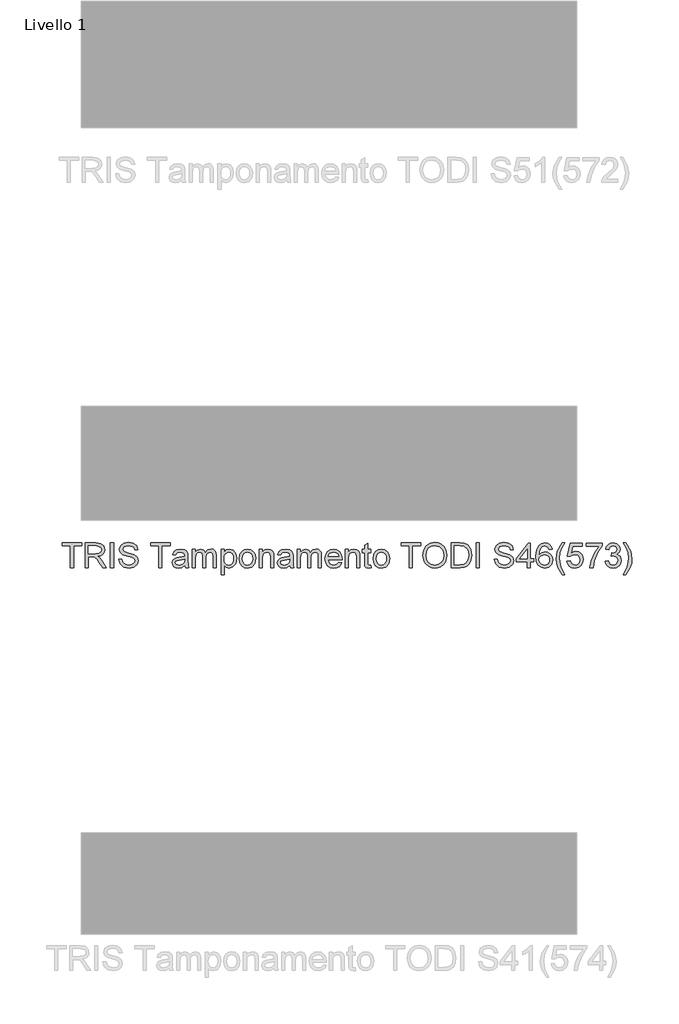
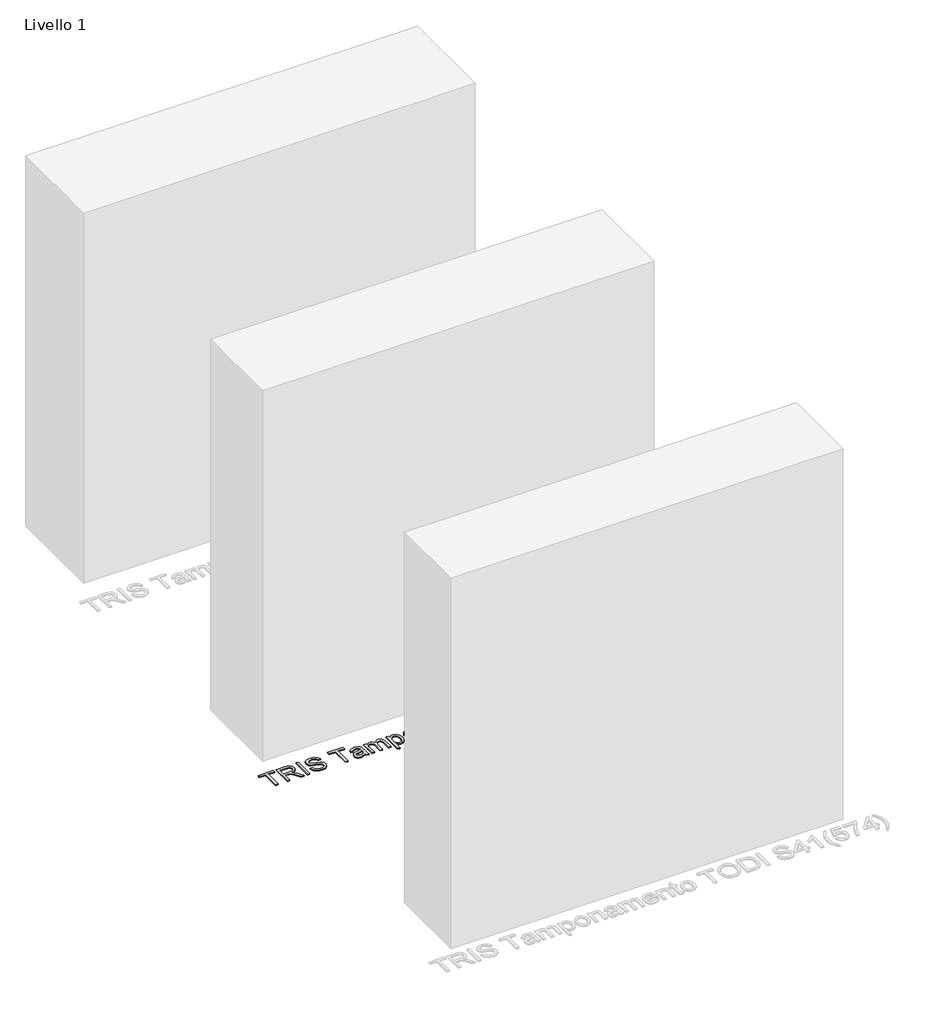
# One storey, part 17 of 18: 1 proxy.
"""IFC4 building model written with IfcOpenShell, lengths in millimetres."""

from ifc_helpers import new_model, si_unit, origin, origin_with_axes, place, context, project, spatial, polyline, outline, extrude, element, save

model = new_model("IFC4")

# Units and contexts
model_context = context("Model", 3, world=origin())
ifc_project = project(units=[si_unit("LENGTHUNIT", "METRE", prefix="MILLI")], contexts=[model_context])

# Site, building, storey
site = spatial("IfcSite", under=ifc_project)
building = spatial("IfcBuilding", under=site)
storey = spatial("IfcBuildingStorey", under=building, Name="Livello 1", Elevation=0.0)

# Proxy
placement = place(None, origin())
element("IfcBuildingElementProxy", 1, Name="100", ObjectType="100", at=placement, inside=storey, context=model_context, shape_type="SweptSolid", body=[
    extrude(outline(polyline([(3337.4343354, 1570.1657879), (3337.4343354, 1658.0650593), (3304.4721087, 1658.0650593), (3304.4721087, 1670.6220981), (3382.953601, 1670.6220981), (3382.953601, 1658.0650593), (3349.9913742, 1658.0650593), (3349.9913742, 1570.1657879), (3337.4343354, 1570.1657879)])), origin_with_axes(), (0.0, 0.0, 1.0), 5.0),
    extrude(outline(polyline([(3397.0802696, 1570.1657879), (3397.0802696, 1670.6220981), (3440.3677177, 1670.6220981), (3460.4663373, 1667.9120341), (3471.4537463, 1658.3225767), (3475.5617619, 1643.1290503), (3473.8603076, 1633.2330247), (3468.755945, 1625.0292562), (3460.0953897, 1619.0143855), (3447.7253576, 1615.6850535), (3454.8622683, 1610.3139764), (3465.0403368, 1597.3890556), (3481.7912303, 1570.1657879), (3467.1985779, 1570.1657879), (3454.1265043, 1590.9879089), (3444.6841997, 1604.771221), (3438.0500611, 1611.2827323), (3432.07811, 1613.6739652), (3424.7940465, 1614.1154236), (3409.6373083, 1614.1154236), (3409.6373083, 1570.1657879), (3397.0802696, 1570.1657879)]), holes=[polyline([(3409.6373083, 1626.6724624), (3437.7434928, 1626.6724624), (3452.0786279, 1628.4505587), (3460.2210827, 1634.1404669), (3463.0047231, 1642.6630665), (3457.6949596, 1653.7240518), (3440.9072779, 1658.0650593), (3409.6373083, 1658.0650593), (3409.6373083, 1626.6724624)])]), origin_with_axes(), (0.0, 0.0, 1.0), 5.0),
    extrude(outline(polyline([(3499.1062096, 1570.1657879), (3499.1062096, 1670.6220981), (3511.6632483, 1670.6220981), (3511.6632483, 1570.1657879), (3499.1062096, 1570.1657879)])), origin_with_axes(), (0.0, 0.0, 1.0), 5.0),
    extrude(outline(polyline([(3532.0684363, 1604.6976446), (3544.6254751, 1604.6976446), (3548.6721771, 1592.1283431), (3558.55594, 1584.182092), (3573.6145763, 1581.1531969), (3586.7357008, 1583.446328), (3595.2092494, 1589.7493728), (3597.9928899, 1598.1738705), (3595.9082252, 1606.009757), (3587.3733629, 1611.7119279), (3569.0896278, 1616.5066566), (3549.407941, 1622.6993369), (3538.7271004, 1632.0435395), (3535.207696, 1644.5270019), (3539.5609663, 1658.7395097), (3552.2774206, 1668.7704254), (3570.8922496, 1672.1917279), (3590.7578773, 1668.6110099), (3604.0016291, 1658.0895848), (3608.9802988, 1642.3687609), (3596.42326, 1642.3687609), (3594.1178662, 1649.8612908), (3589.3108748, 1655.2691562), (3571.3827589, 1659.6346892), (3553.4055921, 1655.3182071), (3547.7647348, 1644.8948839), (3551.7623858, 1636.1883433), (3572.2656757, 1629.17406), (3594.4857482, 1622.8710151), (3606.6381168, 1612.6929466), (3610.5499286, 1598.4927016), (3606.0495056, 1583.4708534), (3593.1000593, 1572.50797), (3574.1050857, 1568.5961581), (3551.6765467, 1572.8145383), (3537.4885644, 1585.5187299), (3532.0684363, 1604.6976446)])), origin_with_axes(), (0.0, 0.0, 1.0), 5.0),
    extrude(outline(polyline([(3693.7403105, 1570.1657879), (3693.7403105, 1658.0650593), (3660.7780837, 1658.0650593), (3660.7780837, 1670.6220981), (3739.259576, 1670.6220981), (3739.259576, 1658.0650593), (3706.2973493, 1658.0650593), (3706.2973493, 1570.1657879), (3693.7403105, 1570.1657879)])), origin_with_axes(), (0.0, 0.0, 1.0), 5.0),
    extrude(outline(polyline([(3798.9055102, 1579.583567), (3786.7286161, 1571.0732302), (3773.2763978, 1568.5961581), (3762.7825639, 1570.0860802), (3755.0417136, 1574.5558464), (3750.2684447, 1581.3432692), (3748.6773551, 1589.786161), (3751.0808508, 1599.7189749), (3757.3961584, 1606.929462), (3766.1885381, 1611.0497403), (3777.0533197, 1612.9382013), (3798.8319338, 1617.2546833), (3798.9055102, 1620.0505865), (3795.4474194, 1629.3212128), (3781.5660055, 1632.9509818), (3768.8618139, 1630.5352234), (3762.8040237, 1621.9635729), (3750.2469849, 1623.5332027), (3755.6793757, 1635.7959359), (3766.6177337, 1642.9818975), (3783.1846862, 1645.5080206), (3798.4027381, 1643.2762031), (3806.9989141, 1637.6721341), (3810.8494123, 1629.1495345), (3811.4625489, 1618.1621256), (3811.4625489, 1602.5394035), (3812.1002111, 1580.7240012), (3814.6018086, 1570.1657879), (3802.0447699, 1570.1657879), (3798.9055102, 1579.583567)]), holes=[polyline([(3798.9055102, 1604.6976446), (3778.647475, 1600.8471463), (3767.844007, 1598.8115326), (3762.9511765, 1595.5005947), (3761.2343939, 1590.6690778), (3764.9745275, 1583.8755236), (3775.9496737, 1581.1531969), (3788.6538652, 1584.1575665), (3796.845371, 1591.4293673), (3798.8319338, 1601.1414519), (3798.9055102, 1604.6976446)])]), origin_with_axes(), (0.0, 0.0, 1.0), 5.0),
    extrude(outline(polyline([(3828.7284772, 1570.1657879), (3828.7284772, 1643.9383907), (3841.285516, 1643.9383907), (3841.285516, 1631.7982849), (3849.9184802, 1641.7433615), (3862.2057388, 1645.5080206), (3874.787303, 1641.6697851), (3881.7034846, 1630.9153681), (3891.5014084, 1641.8598574), (3903.8745061, 1645.5080206), (3913.313745, 1643.9905073), (3920.2943058, 1639.4379676), (3924.6077222, 1631.7277742), (3926.0455277, 1620.7372996), (3926.0455277, 1570.1657879), (3913.4884889, 1570.1657879), (3913.4884889, 1615.341697), (3912.3235293, 1625.8263338), (3908.1051491, 1630.9889445), (3900.9314502, 1632.9509818), (3888.5828779, 1627.9232612), (3884.8948609, 1621.381093), (3883.6655219, 1611.8100298), (3883.6655219, 1570.1657879), (3871.1084831, 1570.1657879), (3871.1084831, 1616.7396485), (3868.2022153, 1628.9042798), (3858.6740717, 1632.9509818), (3849.3789199, 1630.2531805), (3843.1985024, 1622.3559803), (3841.285516, 1607.3709204), (3841.285516, 1570.1657879), (3828.7284772, 1570.1657879)])), origin_with_axes(), (0.0, 0.0, 1.0), 5.0),
    extrude(outline(polyline([(3944.8810859, 1541.9124507), (3944.8810859, 1643.9383907), (3957.4381246, 1643.9383907), (3957.4381246, 1631.6266066), (3966.1201397, 1642.0376671), (3977.8433126, 1645.5080206), (3993.7603403, 1640.6519782), (4004.159138, 1626.966768), (4007.6662797, 1607.6161751), (4003.7054169, 1587.2723007), (3992.2029732, 1573.4154122), (3976.3227337, 1568.5961581), (3965.3966385, 1571.8212569), (3957.4381246, 1579.9759745), (3957.4381246, 1541.9124507), (3944.8810859, 1541.9124507)]), holes=[polyline([(3957.4381246, 1606.4634781), (3958.7962223, 1595.2062891), (3962.8705154, 1587.3336144), (3968.8823204, 1582.6983012), (3976.0529536, 1581.1531969), (3983.3400828, 1582.7534835), (3989.5051719, 1587.5543436), (3993.7082237, 1595.7151925), (3995.1092409, 1607.3954459), (3993.7419462, 1618.5913212), (3989.6400619, 1626.5743605), (3983.637454, 1631.3568265), (3976.5679884, 1632.9509818), (3969.4709316, 1631.2556589), (3963.2383974, 1626.1696903), (3958.8881928, 1617.8524916), (3957.4381246, 1606.4634781)])]), origin_with_axes(), (0.0, 0.0, 1.0), 5.0),
    extrude(outline(polyline([(4018.6536886, 1607.0520893), (4021.369884, 1624.8391838), (4029.5184702, 1637.3410403), (4039.5861741, 1643.4662755), (4051.6404409, 1645.5080206), (4064.8320761, 1643.0217514), (4075.3688295, 1635.562944), (4082.275814, 1623.7202094), (4084.5781422, 1608.0821589), (4080.5069147, 1585.7394591), (4068.6488518, 1573.0965812), (4051.6404409, 1568.5961581), (4038.2893901, 1571.0732302), (4027.7648994, 1578.5044465), (4020.9314913, 1590.5955014), (4018.6536886, 1607.0520893)]), holes=[polyline([(4031.2107274, 1607.0766148), (4032.6638613, 1595.7121268), (4037.0232629, 1587.6156573), (4043.5838252, 1582.768812), (4051.6404409, 1581.1531969), (4059.6602684, 1582.778009), (4066.2085679, 1587.6524455), (4070.5679695, 1595.8562139), (4072.0211034, 1607.4690223), (4070.5587725, 1618.5024164), (4066.1717797, 1626.4885214), (4059.6142831, 1631.3353667), (4051.6404409, 1632.9509818), (4043.5838252, 1631.3414981), (4037.0232629, 1626.5130469), (4032.6638613, 1618.4349714), (4031.2107274, 1607.0766148)])]), origin_with_axes(), (0.0, 0.0, 1.0), 5.0),
    extrude(outline(polyline([(4098.7048108, 1570.1657879), (4098.7048108, 1643.9383907), (4111.2618495, 1643.9383907), (4111.2618495, 1633.6376948), (4120.8635696, 1642.5404391), (4133.9724314, 1645.5080206), (4145.8304944, 1643.1167876), (4153.9238983, 1636.8382682), (4157.6885573, 1627.6044301), (4158.3507449, 1615.4643243), (4158.3507449, 1570.1657879), (4145.7937062, 1570.1657879), (4145.7937062, 1613.7720671), (4144.3467036, 1624.8821034), (4139.2331439, 1630.7559526), (4130.6124425, 1632.9509818), (4116.9885459, 1628.0213631), (4112.6935236, 1620.878321), (4111.2618495, 1609.3084322), (4111.2618495, 1570.1657879), (4098.7048108, 1570.1657879)])), origin_with_axes(), (0.0, 0.0, 1.0), 5.0),
    extrude(outline(polyline([(4222.7055686, 1579.583567), (4210.5286746, 1571.0732302), (4197.0764563, 1568.5961581), (4186.5826224, 1570.0860802), (4178.8417721, 1574.5558464), (4174.0685032, 1581.3432692), (4172.4774135, 1589.786161), (4174.8809092, 1599.7189749), (4181.1962168, 1606.929462), (4189.9885965, 1611.0497403), (4200.8533781, 1612.9382013), (4222.6319922, 1617.2546833), (4222.7055686, 1620.0505865), (4219.2474779, 1629.3212128), (4205.3660639, 1632.9509818), (4192.6618723, 1630.5352234), (4186.6040822, 1621.9635729), (4174.0470434, 1623.5332027), (4179.4794342, 1635.7959359), (4190.4177922, 1642.9818975), (4206.9847447, 1645.5080206), (4222.2027966, 1643.2762031), (4230.7989725, 1637.6721341), (4234.6494707, 1629.1495345), (4235.2626074, 1618.1621256), (4235.2626074, 1602.5394035), (4235.9002695, 1580.7240012), (4238.4018671, 1570.1657879), (4225.8448283, 1570.1657879), (4222.7055686, 1579.583567)]), holes=[polyline([(4222.7055686, 1604.6976446), (4202.4475334, 1600.8471463), (4191.6440655, 1598.8115326), (4186.751235, 1595.5005947), (4185.0344523, 1590.6690778), (4188.7745859, 1583.8755236), (4199.7497321, 1581.1531969), (4212.4539237, 1584.1575665), (4220.6454294, 1591.4293673), (4222.6319922, 1601.1414519), (4222.7055686, 1604.6976446)])]), origin_with_axes(), (0.0, 0.0, 1.0), 5.0),
    extrude(outline(polyline([(4252.5285357, 1570.1657879), (4252.5285357, 1643.9383907), (4265.0855745, 1643.9383907), (4265.0855745, 1631.7982849), (4273.7185386, 1641.7433615), (4286.0057973, 1645.5080206), (4298.5873615, 1641.6697851), (4305.503543, 1630.9153681), (4315.3014668, 1641.8598574), (4327.6745646, 1645.5080206), (4337.1138034, 1643.9905073), (4344.0943643, 1639.4379676), (4348.4077807, 1631.7277742), (4349.8455861, 1620.7372996), (4349.8455861, 1570.1657879), (4337.2885474, 1570.1657879), (4337.2885474, 1615.341697), (4336.1235877, 1625.8263338), (4331.9052075, 1630.9889445), (4324.7315086, 1632.9509818), (4312.3829363, 1627.9232612), (4308.6949193, 1621.381093), (4307.4655803, 1611.8100298), (4307.4655803, 1570.1657879), (4294.9085415, 1570.1657879), (4294.9085415, 1616.7396485), (4292.0022738, 1628.9042798), (4282.4741301, 1632.9509818), (4273.1789784, 1630.2531805), (4266.9985608, 1622.3559803), (4265.0855745, 1607.3709204), (4265.0855745, 1570.1657879), (4252.5285357, 1570.1657879)])), origin_with_axes(), (0.0, 0.0, 1.0), 5.0),
    extrude(outline(polyline([(4420.3317764, 1592.1406058), (4432.6435605, 1590.5709759), (4428.2075168, 1581.2942183), (4421.1288541, 1574.3596427), (4411.5669879, 1570.0370292), (4399.6813338, 1568.5961581), (4384.9476599, 1571.0824273), (4373.610763, 1578.5412347), (4366.3818818, 1590.4882025), (4363.9722548, 1606.4389527), (4366.4064073, 1622.9261974), (4373.7088649, 1635.2563756), (4384.8924776, 1642.9451093), (4398.9700952, 1645.5080206), (4412.6093202, 1642.9512407), (4423.5078243, 1635.2809011), (4430.6539321, 1622.9752484), (4433.035968, 1606.5125291), (4432.9623916, 1603.1280147), (4376.5292935, 1603.1280147), (4378.702863, 1593.7286297), (4383.7520434, 1586.8185796), (4391.0391726, 1582.5695426), (4399.9265884, 1581.1531969), (4412.2383725, 1583.7774218), (4420.3317764, 1592.1406058)]), holes=[polyline([(4376.5292935, 1615.6850535), (4420.4789292, 1615.6850535), (4415.4512086, 1627.0648699), (4408.1303569, 1631.4794538), (4398.9210443, 1632.9509818), (4383.4577378, 1628.254355), (4378.5924984, 1622.7637162), (4376.5292935, 1615.6850535)])]), origin_with_axes(), (0.0, 0.0, 1.0), 5.0),
    extrude(outline(polyline([(4445.5930068, 1570.1657879), (4445.5930068, 1643.9383907), (4458.1500455, 1643.9383907), (4458.1500455, 1633.6376948), (4467.7517656, 1642.5404391), (4480.8606274, 1645.5080206), (4492.7186903, 1643.1167876), (4500.8120942, 1636.8382682), (4504.5767533, 1627.6044301), (4505.2389409, 1615.4643243), (4505.2389409, 1570.1657879), (4492.6819021, 1570.1657879), (4492.6819021, 1613.7720671), (4491.2348996, 1624.8821034), (4486.1213399, 1630.7559526), (4477.5006385, 1632.9509818), (4463.8767419, 1628.0213631), (4459.5817196, 1620.878321), (4458.1500455, 1609.3084322), (4458.1500455, 1570.1657879), (4445.5930068, 1570.1657879)])), origin_with_axes(), (0.0, 0.0, 1.0), 5.0),
    extrude(outline(polyline([(4549.1885766, 1580.6381621), (4550.7582064, 1569.797906), (4541.3649528, 1568.5961581), (4530.8435278, 1570.6808227), (4525.595078, 1576.1500017), (4524.0744991, 1590.3992977), (4524.0744991, 1631.3813519), (4514.65672, 1631.3813519), (4514.65672, 1643.9383907), (4524.0744991, 1643.9383907), (4524.0744991, 1661.8665066), (4536.6315378, 1669.248672), (4536.6315378, 1643.9383907), (4549.1885766, 1643.9383907), (4549.1885766, 1631.3813519), (4536.6315378, 1631.3813519), (4536.6315378, 1590.7671797), (4537.2937254, 1584.2924566), (4539.4397037, 1581.9993255), (4543.7193976, 1581.1531969), (4549.1885766, 1580.6381621)])), origin_with_axes(), (0.0, 0.0, 1.0), 5.0),
    extrude(outline(polyline([(4558.6063557, 1607.0520893), (4561.3225511, 1624.8391838), (4569.4711373, 1637.3410403), (4579.5388412, 1643.4662755), (4591.5931079, 1645.5080206), (4604.7847431, 1643.0217514), (4615.3214966, 1635.562944), (4622.2284811, 1623.7202094), (4624.5308092, 1608.0821589), (4620.4595818, 1585.7394591), (4608.6015188, 1573.0965812), (4591.5931079, 1568.5961581), (4578.2420572, 1571.0732302), (4567.7175664, 1578.5044465), (4560.8841584, 1590.5955014), (4558.6063557, 1607.0520893)]), holes=[polyline([(4571.1633944, 1607.0766148), (4572.6165283, 1595.7121268), (4576.97593, 1587.6156573), (4583.5364922, 1582.768812), (4591.5931079, 1581.1531969), (4599.6129354, 1582.778009), (4606.1612349, 1587.6524455), (4610.5206366, 1595.8562139), (4611.9737704, 1607.4690223), (4610.5114395, 1618.5024164), (4606.1244467, 1626.4885214), (4599.5669502, 1631.3353667), (4591.5931079, 1632.9509818), (4583.5364922, 1631.3414981), (4576.97593, 1626.5130469), (4572.6165283, 1618.4349714), (4571.1633944, 1607.0766148)])]), origin_with_axes(), (0.0, 0.0, 1.0), 5.0),
    extrude(outline(polyline([(4704.5819314, 1570.1657879), (4704.5819314, 1658.0650593), (4671.6197046, 1658.0650593), (4671.6197046, 1670.6220981), (4750.1011969, 1670.6220981), (4750.1011969, 1658.0650593), (4717.1389701, 1658.0650593), (4717.1389701, 1570.1657879), (4704.5819314, 1570.1657879)])), origin_with_axes(), (0.0, 0.0, 1.0), 5.0),
    extrude(outline(polyline([(4759.518976, 1619.0695678), (4762.8667021, 1641.283509), (4772.9098806, 1658.0895848), (4788.2444284, 1668.6661922), (4807.4662627, 1672.1917279), (4820.6425695, 1670.536259), (4832.4577129, 1665.569852), (4842.2678994, 1657.641995), (4849.4293356, 1647.1021759), (4853.8071313, 1634.459298), (4855.2663966, 1620.2222648), (4853.7304893, 1605.7951592), (4849.1227673, 1592.9744716), (4841.6976823, 1582.4162584), (4831.7096862, 1574.7765756), (4819.9957103, 1570.1412625), (4807.3926863, 1568.5961581), (4794.0140444, 1570.3037437), (4782.1314559, 1575.4265005), (4772.3457949, 1583.5015103), (4765.2579351, 1594.0658549), (4759.518976, 1619.0695678)]), holes=[polyline([(4772.0760147, 1618.9469405), (4774.5868094, 1603.2322479), (4782.1191932, 1591.257689), (4793.4407616, 1583.6793199), (4807.3191099, 1581.1531969), (4821.3997932, 1583.7038454), (4832.7397558, 1591.3557909), (4840.2169573, 1603.6982318), (4842.7093578, 1620.3203666), (4838.4419267, 1641.0443857), (4825.970727, 1654.7663841), (4807.5398391, 1659.6346892), (4794.0324385, 1657.2894415), (4782.5483889, 1650.2536983), (4774.6941083, 1637.7365134), (4772.0760147, 1618.9469405)])]), origin_with_axes(), (0.0, 0.0, 1.0), 5.0),
    extrude(outline(polyline([(4872.5323249, 1570.1657879), (4872.5323249, 1670.6220981), (4907.1868088, 1670.6220981), (4925.1149247, 1669.1750956), (4939.8792555, 1661.9891339), (4951.7741067, 1644.8213075), (4955.7227067, 1620.9335033), (4953.0494309, 1600.6632053), (4946.1823003, 1586.0337647), (4937.0097759, 1576.9225539), (4925.0045601, 1571.8825706), (4908.8545406, 1570.1657879), (4872.5323249, 1570.1657879)]), holes=[polyline([(4885.0893637, 1582.7228267), (4907.3094362, 1582.7228267), (4923.4717185, 1584.5377112), (4932.7913957, 1589.6635337), (4940.4310785, 1602.1347333), (4943.165668, 1621.129707), (4941.8259644, 1634.8149172), (4937.8068536, 1644.9194094), (4924.7715682, 1656.0539711), (4906.9660796, 1658.0650593), (4885.0893637, 1658.0650593), (4885.0893637, 1582.7228267)])]), origin_with_axes(), (0.0, 0.0, 1.0), 5.0),
    extrude(outline(polyline([(4974.5582649, 1570.1657879), (4974.5582649, 1670.6220981), (4987.1153037, 1670.6220981), (4987.1153037, 1570.1657879), (4974.5582649, 1570.1657879)])), origin_with_axes(), (0.0, 0.0, 1.0), 5.0),
    extrude(outline(polyline([(5046.7612378, 1604.6976446), (5059.3182766, 1604.6976446), (5063.3649785, 1592.1283431), (5073.2487415, 1584.182092), (5088.3073778, 1581.1531969), (5101.4285023, 1583.446328), (5109.9020509, 1589.7493728), (5112.6856913, 1598.1738705), (5110.6010267, 1606.009757), (5102.0661644, 1611.7119279), (5083.7824293, 1616.5066566), (5064.1007425, 1622.6993369), (5053.4199019, 1632.0435395), (5049.9004975, 1644.5270019), (5054.2537678, 1658.7395097), (5066.9702221, 1668.7704254), (5085.585051, 1672.1917279), (5105.4506788, 1668.6110099), (5118.6944306, 1658.0895848), (5123.6731003, 1642.3687609), (5111.1160615, 1642.3687609), (5108.8106677, 1649.8612908), (5104.0036763, 1655.2691562), (5086.0755604, 1659.6346892), (5068.0983935, 1655.3182071), (5062.4575363, 1644.8948839), (5066.4551873, 1636.1883433), (5086.9584772, 1629.17406), (5109.1785497, 1622.8710151), (5121.3309182, 1612.6929466), (5125.2427301, 1598.4927016), (5120.742307, 1583.4708534), (5107.7928608, 1572.50797), (5088.7978871, 1568.5961581), (5066.3693482, 1572.8145383), (5052.1813659, 1585.5187299), (5046.7612378, 1604.6976446)])), origin_with_axes(), (0.0, 0.0, 1.0), 5.0),
    extrude(outline(polyline([(5180.1797747, 1570.1657879), (5180.1797747, 1593.7102356), (5134.6605092, 1593.7102356), (5134.6605092, 1606.2672744), (5183.3190344, 1669.0524683), (5192.7368135, 1669.0524683), (5192.7368135, 1606.2672744), (5205.2938523, 1606.2672744), (5205.2938523, 1593.7102356), (5192.7368135, 1593.7102356), (5192.7368135, 1570.1657879), (5180.1797747, 1570.1657879)]), holes=[polyline([(5180.1797747, 1606.2672744), (5180.1797747, 1645.0665622), (5150.111553, 1606.2672744), (5180.1797747, 1606.2672744)])]), origin_with_axes(), (0.0, 0.0, 1.0), 5.0),
    extrude(outline(polyline([(5280.6360849, 1643.9383907), (5268.0790461, 1642.3687609), (5263.3211056, 1652.841135), (5250.7395414, 1658.0650593), (5239.408776, 1655.0239015), (5230.8371255, 1643.6072969), (5227.2686701, 1621.2278089), (5238.3419182, 1631.2464619), (5252.0639166, 1634.5206116), (5263.6644622, 1632.2826628), (5273.4010723, 1625.5688164), (5280.0045541, 1615.3110401), (5282.2057147, 1602.4413017), (5278.0609109, 1585.1140597), (5266.6565691, 1572.8513265), (5250.1999811, 1568.5961581), (5235.9537509, 1571.4165867), (5224.607657, 1579.8778726), (5217.1856378, 1594.8138816), (5214.7116313, 1617.0584796), (5217.4584836, 1642.0683239), (5225.6990403, 1659.1687053), (5236.950098, 1667.7587499), (5251.5243563, 1670.6220981), (5262.5424221, 1668.8501332), (5271.3654586, 1663.5342383), (5277.5458761, 1655.0913465), (5280.6360849, 1643.9383907)]), holes=[polyline([(5227.2686701, 1602.6375054), (5230.1749379, 1591.7604611), (5237.9004598, 1583.8632609), (5249.2189625, 1581.1531969), (5257.5055044, 1582.5572798), (5264.0200814, 1586.7695287), (5268.2415273, 1593.3914046), (5269.648676, 1602.0243687), (5268.2599214, 1610.3109107), (5264.0936578, 1616.6292839), (5257.4687162, 1620.6300006), (5248.7039277, 1621.9635729), (5233.5104013, 1616.6292839), (5228.8291029, 1610.4641948), (5227.2686701, 1602.6375054)])]), origin_with_axes(), (0.0, 0.0, 1.0), 5.0),
    extrude(outline(polyline([(5321.4464609, 1541.9124507), (5303.6164468, 1571.3675358), (5298.1533992, 1588.547625), (5296.3323833, 1606.3408508), (5301.7770369, 1636.8750564), (5321.4464609, 1670.6220981), (5330.86424, 1670.6220981), (5319.1165416, 1650.7319449), (5312.0532073, 1631.4549283), (5308.8894221, 1606.2672744), (5314.3831266, 1574.0775998), (5330.86424, 1541.9124507), (5321.4464609, 1541.9124507)])), origin_with_axes(), (0.0, 0.0, 1.0), 5.0),
    extrude(outline(polyline([(5340.282019, 1596.8494953), (5352.8390578, 1598.4191252), (5359.1666281, 1585.4819417), (5372.2877526, 1581.1531969), (5381.2885988, 1582.6584474), (5388.033102, 1587.1741989), (5392.2453508, 1594.1792852), (5393.6494338, 1603.1525402), (5388.3887213, 1618.0640237), (5381.7821738, 1622.165908), (5372.4839563, 1623.5332027), (5361.4597592, 1621.3504362), (5354.4086876, 1615.6850535), (5341.8516489, 1617.2546833), (5352.8390578, 1669.0524683), (5401.497583, 1669.0524683), (5401.497583, 1656.4954295), (5362.9926009, 1656.4954295), (5357.6215237, 1628.8307034), (5366.5917131, 1634.275357), (5375.991098, 1636.0902415), (5387.723468, 1633.8400299), (5397.4631438, 1627.0893953), (5404.0206404, 1616.8009622), (5406.2064726, 1603.9373551), (5404.2383039, 1591.3803163), (5398.3337979, 1580.6381621), (5387.0275579, 1571.6066591), (5372.2387017, 1568.5961581), (5359.9054578, 1570.5306043), (5350.0799428, 1576.3339427), (5343.3446366, 1585.3317232), (5340.282019, 1596.8494953)])), origin_with_axes(), (0.0, 0.0, 1.0), 5.0),
    extrude(outline(polyline([(5417.1938815, 1656.4954295), (5417.1938815, 1669.0524683), (5483.118335, 1669.0524683), (5483.118335, 1658.8989252), (5464.4176669, 1631.884124), (5450.1070573, 1597.462632), (5445.4472187, 1570.1657879), (5432.8901799, 1570.1657879), (5437.8811123, 1598.4927016), (5451.5785853, 1630.5106979), (5470.5612963, 1656.4954295), (5417.1938815, 1656.4954295)])), origin_with_axes(), (0.0, 0.0, 1.0), 5.0),
    extrude(outline(polyline([(5494.1057439, 1596.8494953), (5506.6627827, 1598.4191252), (5513.591227, 1585.1998988), (5526.5529359, 1581.1531969), (5535.1613746, 1582.5450171), (5541.807776, 1586.7204777), (5547.4731587, 1600.5037898), (5541.8568269, 1613.4900242), (5527.5830055, 1618.6281094), (5518.7783631, 1617.2546833), (5520.1763147, 1629.8117221), (5522.1874029, 1629.6645693), (5536.4366989, 1633.2698129), (5541.1823766, 1637.8438123), (5542.7642692, 1644.3553236), (5538.178007, 1654.1777729), (5526.3567322, 1658.0650593), (5514.3883046, 1654.1409847), (5508.2324126, 1642.3687609), (5495.6753738, 1643.9383907), (5499.3725878, 1655.2139739), (5505.9515442, 1663.6323402), (5514.9523903, 1668.8746586), (5525.9152738, 1670.6220981), (5541.0597493, 1667.1762701), (5551.6547507, 1657.758491), (5555.3213079, 1645.0910876), (5551.8386917, 1633.5150675), (5541.5379959, 1625.2009344), (5555.2232061, 1616.6170212), (5560.0301975, 1600.2830606), (5557.6267018, 1588.0448529), (5550.4162147, 1577.8177334), (5539.533039, 1570.9015519), (5526.1114775, 1568.5961581), (5513.9713717, 1570.5643268), (5504.0876087, 1576.4688328), (5497.2143468, 1585.5003358), (5494.1057439, 1596.8494953)])), origin_with_axes(), (0.0, 0.0, 1.0), 5.0),
    extrude(outline(polyline([(5577.2961258, 1541.9124507), (5567.8783467, 1541.9124507), (5584.3594601, 1574.0775998), (5589.8531646, 1606.2672744), (5586.6893794, 1631.2341991), (5579.6996215, 1650.5357412), (5567.8783467, 1670.6220981), (5577.2961258, 1670.6220981), (5596.9655498, 1636.8750564), (5602.4102033, 1606.3408508), (5600.5799904, 1588.547625), (5595.0893516, 1571.3675358), (5577.2961258, 1541.9124507)])), origin_with_axes(), (0.0, 0.0, 1.0), 5.0),
])

save(model, "model.ifc")
